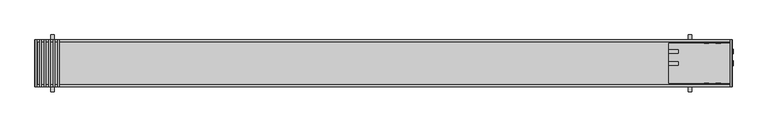
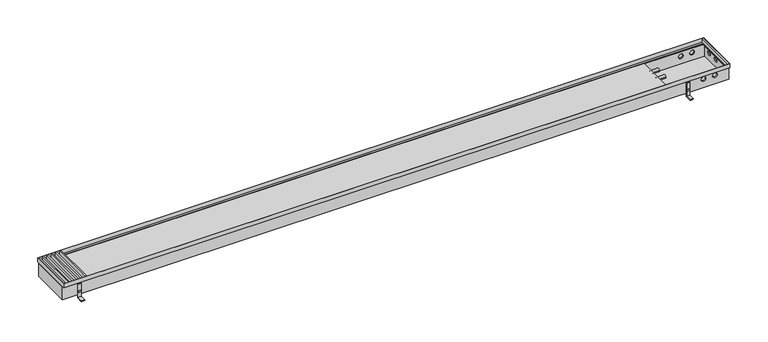
"""IFC4 building model written with IfcOpenShell, lengths in millimetres: proxy geometry."""

from ifc_helpers import new_model, si_unit, point, frame, frame_2d, origin, place, context, project, spatial, polyline, circle_curve, trimmed, segment, composite_curve, outline, extrude, faceted_brep, source, transform, mapped, element, save
from ifc_brep_helpers import plane_surface, revolved_surface, advanced_brep


def mechanical_equipment_17e577c5(model_context):
    return source(origin(), model_context, "Body", "SolidModel", [
        extrude(outline(polyline([(96.8387097, -98.5), (96.8387097, 98.5), (102.8387097, 98.5), (102.8387097, -98.5), (96.8387097, -98.5)])), frame((0.0, 0.0, 77.0), z_axis=(0.0, 0.0, 1.0), x_axis=(1.0, 0.0, 0.0)), (0.0, 0.0, 1.0), 18.0),
        extrude(outline(polyline([(77.8709677, -98.5), (77.8709677, 98.5), (83.8709677, 98.5), (83.8709677, -98.5), (77.8709677, -98.5)])), frame((0.0, 0.0, 77.0), z_axis=(0.0, 0.0, 1.0), x_axis=(1.0, 0.0, 0.0)), (0.0, 0.0, 1.0), 18.0),
        extrude(outline(polyline([(58.9032258, -98.5), (58.9032258, 98.5), (64.9032258, 98.5), (64.9032258, -98.5), (58.9032258, -98.5)])), frame((0.0, 0.0, 77.0), z_axis=(0.0, 0.0, 1.0), x_axis=(1.0, 0.0, 0.0)), (0.0, 0.0, 1.0), 18.0),
        extrude(outline(polyline([(39.9354839, -98.5), (39.9354839, 98.5), (45.9354839, 98.5), (45.9354839, -98.5), (39.9354839, -98.5)])), frame((0.0, 0.0, 77.0), z_axis=(0.0, 0.0, 1.0), x_axis=(1.0, 0.0, 0.0)), (0.0, 0.0, 1.0), 18.0),
        extrude(outline(polyline([(20.9677419, -98.5), (20.9677419, 98.5), (26.9677419, 98.5), (26.9677419, -98.5), (20.9677419, -98.5)])), frame((0.0, 0.0, 77.0), z_axis=(0.0, 0.0, 1.0), x_axis=(1.0, 0.0, 0.0)), (0.0, 0.0, 1.0), 18.0),
        extrude(outline(polyline([(2942.0, -98.5), (2942.0, 98.5), (2948.0, 98.5), (2948.0, -98.5), (2942.0, -98.5)])), frame((0.0, 0.0, 77.0), z_axis=(0.0, 0.0, 1.0), x_axis=(1.0, 0.0, 0.0)), (0.0, 0.0, 1.0), 18.0),
        extrude(outline(polyline([(2.0, -98.5), (2.0, 98.5), (8.0, 98.5), (8.0, -98.5), (2.0, -98.5)])), frame((0.0, 0.0, 77.0), z_axis=(0.0, 0.0, 1.0), x_axis=(1.0, 0.0, 0.0)), (0.0, 0.0, 1.0), 18.0),
        faceted_brep([(2950.0, 100.0, 76.0071882), (2950.0, 100.0, 95.0), (2950.0, -100.0, 95.0), (2950.0, -100.0, 76.0071882), (2939.0225165, 89.0225165, 77.0), (2939.0225165, 89.0225165, 76.0071882), (2939.0225165, -89.0225165, 76.0071882), (2939.0225165, -89.0225165, 77.0), (2949.0, 99.0, 95.0), (2949.0, 99.0, 77.0), (2949.0, -99.0, 77.0), (2949.0, -99.0, 95.0), (0.0, -100.0, 95.0), (0.0, -100.0, 76.0071882), (10.9774835, -89.0225165, 76.0071882), (10.9774835, -89.0225165, 77.0), (1.0, -99.0, 77.0), (1.0, -99.0, 95.0), (0.0, 100.0, 95.0), (0.0, 100.0, 76.0071882), (10.9774835, 89.0225165, 76.0071882), (10.9774835, 89.0225165, 77.0), (1.0, 99.0, 77.0), (1.0, 99.0, 95.0)], [[[0, 1, 2, 3]], [[4, 5, 6, 7]], [[8, 9, 10, 11]], [[3, 2, 12, 13]], [[7, 6, 14, 15]], [[11, 10, 16, 17]], [[13, 12, 18, 19]], [[15, 14, 20, 21]], [[17, 16, 22, 23]], [[19, 18, 1, 0]], [[3, 13, 19, 0], [5, 20, 14, 6]], [[21, 20, 5, 4]], [[9, 22, 16, 10], [7, 15, 21, 4]], [[23, 22, 9, 8]], [[1, 18, 12, 2], [11, 17, 23, 8]]]),
        extrude(outline(polyline([(120.0, 0.0), (90.0, 0.0), (90.0, 65.0), (93.0, 65.0), (93.0, 3.0), (120.0, 3.0), (120.0, 0.0)])), frame((2762.5, 0.0, 0.0), z_axis=(1.0, 0.0, 0.0), x_axis=(0.0, 1.0, 0.0)), (0.0, 0.0, 1.0), 15.0),
        extrude(outline(polyline([(32.5, 2765.669873), (27.5, 2765.669873), (25.0, 2770.0), (27.5, 2774.330127), (32.5, 2774.330127), (35.0, 2770.0), (32.5, 2765.669873)])), frame((0.0, 93.0, 0.0), z_axis=(0.0, 1.0, 0.0), x_axis=(0.0, 0.0, 1.0)), (0.0, 0.0, 1.0), 1.0863674),
        extrude(outline(polyline([(120.0, 0.0), (90.0, 0.0), (90.0, 65.0), (93.0, 65.0), (93.0, 3.0), (120.0, 3.0), (120.0, 0.0)])), frame((67.5, 0.0, 0.0), z_axis=(1.0, 0.0, 0.0), x_axis=(0.0, 1.0, 0.0)), (0.0, 0.0, 1.0), 15.0),
        extrude(outline(polyline([(32.5, 70.669873), (27.5, 70.669873), (25.0, 75.0), (27.5, 79.330127), (32.5, 79.330127), (35.0, 75.0), (32.5, 70.669873)])), frame((0.0, 93.0, 0.0), z_axis=(0.0, 1.0, 0.0), x_axis=(0.0, 0.0, 1.0)), (0.0, 0.0, 1.0), 1.0863674),
        extrude(outline(polyline([(-120.0, 0.0), (-120.0, 3.0), (-93.0, 3.0), (-93.0, 65.0), (-90.0, 65.0), (-90.0, 0.0), (-120.0, 0.0)])), frame((2762.5, 0.0, 0.0), z_axis=(1.0, 0.0, 0.0), x_axis=(0.0, 1.0, 0.0)), (0.0, 0.0, 1.0), 15.0),
        extrude(outline(polyline([(32.5, 2765.669873), (27.5, 2765.669873), (25.0, 2770.0), (27.5, 2774.330127), (32.5, 2774.330127), (35.0, 2770.0), (32.5, 2765.669873)])), frame((0.0, -94.0863674, 0.0), z_axis=(0.0, 1.0, 0.0), x_axis=(0.0, 0.0, 1.0)), (0.0, 0.0, 1.0), 1.0863674),
        extrude(outline(polyline([(-120.0, 0.0), (-120.0, 3.0), (-93.0, 3.0), (-93.0, 65.0), (-90.0, 65.0), (-90.0, 0.0), (-120.0, 0.0)])), frame((67.5, 0.0, 0.0), z_axis=(1.0, 0.0, 0.0), x_axis=(0.0, 1.0, 0.0)), (0.0, 0.0, 1.0), 15.0),
        extrude(outline(polyline([(32.5, 70.669873), (27.5, 70.669873), (25.0, 75.0), (27.5, 79.330127), (32.5, 79.330127), (35.0, 75.0), (32.5, 70.669873)])), frame((0.0, -94.0863674, 0.0), z_axis=(0.0, 1.0, 0.0), x_axis=(0.0, 0.0, 1.0)), (0.0, 0.0, 1.0), 1.0863674),
        extrude(outline(composite_curve([segment(trimmed(circle_curve(frame_2d((50.0, 55.0)), 10.0), [point((40.0, 55.0))], [point((60.0, 55.0))], False, "CARTESIAN"), True, "CONTINUOUS"), segment(trimmed(circle_curve(frame_2d((50.0, 55.0)), 10.0), [point((60.0, 55.0))], [point((40.0, 55.0))], False, "CARTESIAN"), True, "CONTINUOUS")], self_intersect=False)), frame((2950.0, 0.0, 0.0), z_axis=(1.0, 0.0, 0.0), x_axis=(0.0, 1.0, 0.0)), (0.0, 0.0, 1.0), 3.0),
        extrude(outline(composite_curve([segment(trimmed(circle_curve(frame_2d((0.0, 55.0)), 10.0), [point((-10.0, 55.0))], [point((10.0, 55.0))], False, "CARTESIAN"), True, "CONTINUOUS"), segment(trimmed(circle_curve(frame_2d((0.0, 55.0)), 10.0), [point((10.0, 55.0))], [point((-10.0, 55.0))], False, "CARTESIAN"), True, "CONTINUOUS")], self_intersect=False)), frame((2950.0, 0.0, 0.0), z_axis=(1.0, 0.0, 0.0), x_axis=(0.0, 1.0, 0.0)), (0.0, 0.0, 1.0), 3.0),
        extrude(outline(composite_curve([segment(trimmed(circle_curve(frame_2d((55.0, 2840.0)), 10.0), [point((55.0, 2850.0))], [point((55.0, 2830.0))], False, "CARTESIAN"), True, "CONTINUOUS"), segment(trimmed(circle_curve(frame_2d((55.0, 2840.0)), 10.0), [point((55.0, 2830.0))], [point((55.0, 2850.0))], False, "CARTESIAN"), True, "CONTINUOUS")], self_intersect=False)), frame((0.0, 90.0, 0.0), z_axis=(0.0, 1.0, 0.0), x_axis=(0.0, 0.0, 1.0)), (0.0, 0.0, 1.0), 3.0),
        extrude(outline(composite_curve([segment(trimmed(circle_curve(frame_2d((55.0, 2890.0)), 10.0), [point((55.0, 2900.0))], [point((55.0, 2880.0))], False, "CARTESIAN"), True, "CONTINUOUS"), segment(trimmed(circle_curve(frame_2d((55.0, 2890.0)), 10.0), [point((55.0, 2880.0))], [point((55.0, 2900.0))], False, "CARTESIAN"), True, "CONTINUOUS")], self_intersect=False)), frame((0.0, 90.0, 0.0), z_axis=(0.0, 1.0, 0.0), x_axis=(0.0, 0.0, 1.0)), (0.0, 0.0, 1.0), 3.0),
        extrude(outline(composite_curve([segment(trimmed(circle_curve(frame_2d((0.0, 55.0)), 7.5), [point((-7.5, 55.0))], [point((7.5, 55.0))], False, "CARTESIAN"), True, "CONTINUOUS"), segment(trimmed(circle_curve(frame_2d((0.0, 55.0)), 7.5), [point((7.5, 55.0))], [point((-7.5, 55.0))], False, "CARTESIAN"), True, "CONTINUOUS")], self_intersect=False)), frame((2680.0, 0.0, 0.0), z_axis=(1.0, 0.0, 0.0), x_axis=(0.0, 1.0, 0.0)), (0.0, 0.0, 1.0), 40.0),
        extrude(outline(composite_curve([segment(trimmed(circle_curve(frame_2d((50.0, 55.0)), 7.5), [point((42.5, 55.0))], [point((57.5, 55.0))], False, "CARTESIAN"), True, "CONTINUOUS"), segment(trimmed(circle_curve(frame_2d((50.0, 55.0)), 7.5), [point((57.5, 55.0))], [point((42.5, 55.0))], False, "CARTESIAN"), True, "CONTINUOUS")], self_intersect=False)), frame((2680.0, 0.0, 0.0), z_axis=(1.0, 0.0, 0.0), x_axis=(0.0, 1.0, 0.0)), (0.0, 0.0, 1.0), 40.0),
        advanced_brep(
        [(2950.0, 90.0, 76.0), (2950.0, 90.0, 15.0), (0.0, 90.0, 15.0), (0.0, 90.0, 76.0), (2830.0, 90.0, 55.0), (2850.0, 90.0, 55.0), (2880.0, 90.0, 55.0), (2900.0, 90.0, 55.0), (2950.0, -90.0, 76.0), (0.0, -90.0, 76.0), (0.0, -90.0, 15.0), (2950.0, -90.0, 15.0), (2850.0, -90.0, 55.0), (2830.0, -90.0, 55.0), (2900.0, -90.0, 55.0), (2880.0, -90.0, 55.0), (2950.0, 10.0, 55.0), (2950.0, -10.0, 55.0), (2950.0, 60.0, 55.0), (2950.0, 40.0, 55.0), (2680.0, 85.0, 76.0), (2945.0, 85.0, 76.0), (2945.0, -85.0, 76.0), (2680.0, -85.0, 76.0), (2680.0, 85.0, 20.0), (2945.0, 85.0, 20.0), (2850.0, 85.0, 55.0), (2830.0, 85.0, 55.0), (2900.0, 85.0, 55.0), (2880.0, 85.0, 55.0), (2945.0, -85.0, 20.0), (2680.0, -85.0, 20.0), (2830.0, -85.0, 55.0), (2850.0, -85.0, 55.0), (2880.0, -85.0, 55.0), (2900.0, -85.0, 55.0), (2945.0, -10.0, 55.0), (2945.0, 10.0, 55.0), (2945.0, 40.0, 55.0), (2945.0, 60.0, 55.0)],
        [
            (0, 1),
            (1, 2),
            (2, 3),
            (3, 0),
            (4, 5, circle_curve(frame((2840.0, 90.0, 55.0), z_axis=(0.0, -1.0, 0.0), x_axis=(-1.0, 0.0, 0.0)), 10.0)),
            (5, 4, circle_curve(frame((2840.0, 90.0, 55.0), z_axis=(0.0, -1.0, 0.0), x_axis=(-1.0, 0.0, 0.0)), 10.0)),
            (6, 7, circle_curve(frame((2890.0, 90.0, 55.0), z_axis=(0.0, -1.0, 0.0), x_axis=(-1.0, 0.0, 0.0)), 10.0)),
            (7, 6, circle_curve(frame((2890.0, 90.0, 55.0), z_axis=(0.0, -1.0, 0.0), x_axis=(-1.0, 0.0, 0.0)), 10.0)),
            (8, 9),
            (9, 10),
            (10, 11),
            (11, 8),
            (12, 13, circle_curve(frame((2840.0, -90.0, 55.0), z_axis=(0.0, 1.0, 0.0), x_axis=(-1.0, 0.0, 0.0)), 10.0)),
            (13, 12, circle_curve(frame((2840.0, -90.0, 55.0), z_axis=(0.0, 1.0, 0.0), x_axis=(-1.0, 0.0, 0.0)), 10.0)),
            (14, 15, circle_curve(frame((2890.0, -90.0, 55.0), z_axis=(0.0, 1.0, 0.0), x_axis=(-1.0, 0.0, 0.0)), 10.0)),
            (15, 14, circle_curve(frame((2890.0, -90.0, 55.0), z_axis=(0.0, 1.0, 0.0), x_axis=(-1.0, 0.0, 0.0)), 10.0)),
            (0, 8),
            (11, 1),
            (16, 17, circle_curve(frame((2950.0, 0.0, 55.0), z_axis=(-1.0, 0.0, 0.0), x_axis=(0.0, 1.0, 0.0)), 10.0)),
            (17, 16, circle_curve(frame((2950.0, 0.0, 55.0), z_axis=(-1.0, 0.0, 0.0), x_axis=(0.0, 1.0, 0.0)), 10.0)),
            (18, 19, circle_curve(frame((2950.0, 50.0, 55.0), z_axis=(-1.0, 0.0, 0.0), x_axis=(0.0, 1.0, 0.0)), 10.0)),
            (19, 18, circle_curve(frame((2950.0, 50.0, 55.0), z_axis=(-1.0, 0.0, 0.0), x_axis=(0.0, 1.0, 0.0)), 10.0)),
            (10, 2),
            (9, 3),
            (20, 21),
            (21, 22),
            (22, 23),
            (23, 20),
            (20, 24),
            (24, 25),
            (25, 21),
            (26, 27, circle_curve(frame((2840.0, 85.0, 55.0), z_axis=(0.0, 1.0, 0.0), x_axis=(-1.0, 0.0, 0.0)), 10.0)),
            (27, 26, circle_curve(frame((2840.0, 85.0, 55.0), z_axis=(0.0, 1.0, 0.0), x_axis=(-1.0, 0.0, 0.0)), 10.0)),
            (28, 29, circle_curve(frame((2890.0, 85.0, 55.0), z_axis=(0.0, 1.0, 0.0), x_axis=(-1.0, 0.0, 0.0)), 10.0)),
            (29, 28, circle_curve(frame((2890.0, 85.0, 55.0), z_axis=(0.0, 1.0, 0.0), x_axis=(-1.0, 0.0, 0.0)), 10.0)),
            (22, 30),
            (30, 31),
            (31, 23),
            (32, 33, circle_curve(frame((2840.0, -85.0, 55.0), z_axis=(0.0, -1.0, 0.0), x_axis=(-1.0, 0.0, 0.0)), 10.0)),
            (33, 32, circle_curve(frame((2840.0, -85.0, 55.0), z_axis=(0.0, -1.0, 0.0), x_axis=(-1.0, 0.0, 0.0)), 10.0)),
            (34, 35, circle_curve(frame((2890.0, -85.0, 55.0), z_axis=(0.0, -1.0, 0.0), x_axis=(-1.0, 0.0, 0.0)), 10.0)),
            (35, 34, circle_curve(frame((2890.0, -85.0, 55.0), z_axis=(0.0, -1.0, 0.0), x_axis=(-1.0, 0.0, 0.0)), 10.0)),
            (25, 30),
            (36, 37, circle_curve(frame((2945.0, 0.0, 55.0), z_axis=(1.0, 0.0, 0.0), x_axis=(0.0, 1.0, 0.0)), 10.0)),
            (37, 36, circle_curve(frame((2945.0, 0.0, 55.0), z_axis=(1.0, 0.0, 0.0), x_axis=(0.0, 1.0, 0.0)), 10.0)),
            (38, 39, circle_curve(frame((2945.0, 50.0, 55.0), z_axis=(1.0, 0.0, 0.0), x_axis=(0.0, 1.0, 0.0)), 10.0)),
            (39, 38, circle_curve(frame((2945.0, 50.0, 55.0), z_axis=(1.0, 0.0, 0.0), x_axis=(0.0, 1.0, 0.0)), 10.0)),
            (24, 31),
            (26, 5),
            (4, 27),
            (12, 33),
            (32, 13),
            (28, 7),
            (6, 29),
            (14, 35),
            (34, 15),
            (36, 17),
            (16, 37),
            (38, 19),
            (18, 39),
        ],
        [
            plane_surface(frame((2950.0, 90.0, 76.0), z_axis=(0.0, 1.0, 0.0), x_axis=(0.0, 0.0, -1.0))),
            plane_surface(frame((2950.0, -90.0, 76.0), z_axis=(0.0, -1.0, 0.0), x_axis=(0.0, 0.0, 1.0))),
            plane_surface(frame((2950.0, 90.0, 76.0), z_axis=(1.0, 0.0, 0.0), x_axis=(0.0, -1.0, 0.0))),
            plane_surface(frame((2950.0, 90.0, 15.0), z_axis=(0.0, 0.0, -1.0), x_axis=(0.0, -1.0, 0.0))),
            plane_surface(frame((0.0, 90.0, 15.0), z_axis=(-1.0, 0.0, 0.0), x_axis=(0.0, -1.0, 0.0))),
            plane_surface(frame((0.0, 90.0, 76.0), z_axis=(0.0, 0.0, 1.0), x_axis=(0.0, -1.0, 0.0))),
            plane_surface(frame((2945.0, 85.0, 76.0), z_axis=(0.0, -1.0, 0.0), x_axis=(0.0, 0.0, -1.0))),
            plane_surface(frame((2945.0, -85.0, 76.0), z_axis=(0.0, 1.0, 0.0), x_axis=(0.0, 0.0, 1.0))),
            plane_surface(frame((2945.0, 85.0, 76.0), z_axis=(-1.0, 0.0, 0.0), x_axis=(0.0, -1.0, 0.0))),
            plane_surface(frame((2945.0, 85.0, 20.0), z_axis=(0.0, 0.0, 1.0), x_axis=(0.0, -1.0, 0.0))),
            plane_surface(frame((2680.0, 85.0, 20.0), z_axis=(1.0, 0.0, 0.0), x_axis=(0.0, -1.0, 0.0))),
            revolved_surface(polyline([(2830.0, 90.0, 55.0), (2830.0, 85.0, 55.0)]), (2840.0, -90.0, 55.0), (0.0, 1.0, 0.0)),
            revolved_surface(polyline([(2830.0, -85.0, 55.0), (2830.0, -90.0, 55.0)]), (2840.0, -90.0, 55.0), (0.0, 1.0, 0.0)),
            revolved_surface(polyline([(2880.0, 90.0, 55.0), (2880.0, 85.0, 55.0)]), (2890.0, -95.0, 55.0), (0.0, 1.0, 0.0)),
            revolved_surface(polyline([(2880.0, -85.0, 55.0), (2880.0, -90.0, 55.0)]), (2890.0, -95.0, 55.0), (0.0, 1.0, 0.0)),
            revolved_surface(polyline([(2950.0, 10.0, 55.0), (2945.0, 10.0, 55.0)]), (2890.0, 0.0, 55.0), (1.0, 0.0, 0.0)),
            revolved_surface(polyline([(2950.0, 60.0, 55.0), (2945.0, 60.0, 55.0)]), (0.0, 50.0, 55.0), (1.0, 0.0, 0.0)),
        ],
        [
            (0, [[1, 2, 3, 4], [5, 6], [7, 8]]),
            (1, [[9, 10, 11, 12], [13, 14], [15, 16]]),
            (2, [[-1, 17, -12, 18], [19, 20], [21, 22]]),
            (3, [[-2, -18, -11, 23]]),
            (4, [[-3, -23, -10, 24]]),
            (5, [[-4, -24, -9, -17], [25, 26, 27, 28]]),
            (6, [[29, 30, 31, -25], [32, 33], [34, 35]]),
            (7, [[36, 37, 38, -27], [39, 40], [41, 42]]),
            (8, [[-31, 43, -36, -26], [44, 45], [46, 47]]),
            (9, [[-30, 48, -37, -43]]),
            (10, [[-29, -28, -38, -48]]),
            (11, [[49, -5, 50, -32]]),
            (12, [[51, -39, 52, -13]]),
            (11, [[-49, -33, -50, -6]]),
            (12, [[-51, -14, -52, -40]]),
            (13, [[53, -7, 54, -34]]),
            (14, [[55, -41, 56, -15]]),
            (13, [[-53, -35, -54, -8]]),
            (14, [[-55, -16, -56, -42]]),
            (15, [[57, -19, 58, -44]]),
            (15, [[-57, -45, -58, -20]]),
            (16, [[59, -21, 60, -46]]),
            (16, [[-59, -47, -60, -22]]),
        ],
    ),
    ])


if __name__ == "__main__":
    model = new_model("IFC4")
    model_context = context("Model", 3, world=origin())
    ifc_project = project(units=[si_unit("LENGTHUNIT", "METRE", prefix="MILLI")], contexts=[model_context])
    site = spatial("IfcSite", under=ifc_project)
    building = spatial("IfcBuilding", under=site)
    placement = place(None, origin())
    mechanical_equipment_shape = mechanical_equipment_17e577c5(model_context)
    element("IfcBuildingElementProxy", 1, Name="Mechanical Equipment", at=placement, inside=building, context=model_context, shape_type="MappedRepresentation", body=[
        mapped(mechanical_equipment_shape, transform((0.0, 0.0, 0.0), x_axis=(1.0, 0.0, 0.0), y_axis=(0.0, 1.0, 0.0), z_axis=(0.0, 0.0, 1.0))),
    ])
    save(model, "model.ifc")
